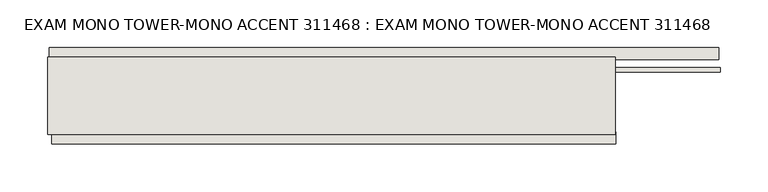
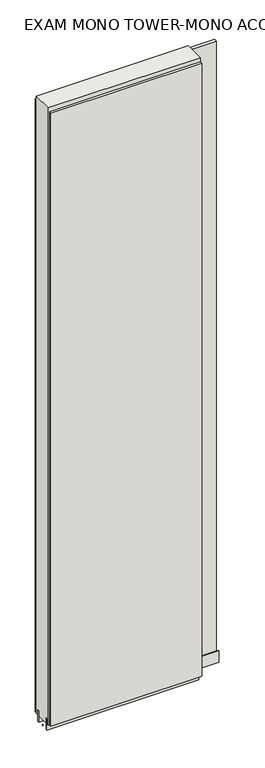
"""IFC4 building model written with IfcOpenShell, lengths in millimetres: wall geometry, EXAM MONO TOWER-MONO ACCENT 311468 : EXAM MONO TOWER-MONO ACCENT 311468."""

from ifc_helpers import new_model, si_unit, frame, origin, place, context, project, spatial, polyline, outline, extrude, source, transform, mapped, element, save


def exam_mono_tower_mono_accent_311468_exam_mono_tower_mono_dfa027e3(model_context):
    return source(origin(), model_context, "Body", "SweptSolid", [
        extrude(outline(polyline([(69813.1576048, -53335.9245954), (69810.6176048, -53335.9245954), (69810.6176048, -53333.3845954), (69813.1576048, -53333.3845954), (69813.1576048, -53335.9245954)])), frame((0.0, 0.0, 4419.6), z_axis=(0.0, 0.0, 1.0), x_axis=(1.0, 0.0, 0.0)), (0.0, 0.0, 1.0), 2.54),
        extrude(outline(polyline([(69812.6184136, -53283.8545954), (70516.1184036, -53283.8545954), (70516.1184036, -53296.5545954), (69812.6184136, -53296.5545954), (69812.6184136, -53283.8545954)])), frame((0.0, 0.0, 4445.0), z_axis=(0.0, 0.0, 1.0), x_axis=(1.0, 0.0, 0.0)), (0.0, 0.0, 1.0), 2545.0498756),
        extrude(outline(polyline([(70407.9782084, -53385.4545954), (69815.0782512, -53385.4545954), (69815.0782512, -53372.7545954), (70407.9782084, -53372.7545954), (70407.9782084, -53385.4545954)])), frame((0.0, 0.0, 4445.0), z_axis=(0.0, 0.0, 1.0), x_axis=(1.0, 0.0, 0.0)), (0.0, 0.0, 1.0), 2545.0498756),
        extrude(outline(polyline([(70518.120457, -53309.5708508), (69810.603965, -53309.5708508), (69810.603965, -53304.4920954), (70518.120457, -53304.4920954), (70518.120457, -53309.5708508)])), frame((0.0, 0.0, 4418.6602), z_axis=(0.0, 0.0, 1.0), x_axis=(1.0, 0.0, 0.0)), (0.0, 0.0, 1.0), 47.625),
        extrude(outline(polyline([(70518.120457, -53309.5708508), (69810.603965, -53309.5708508), (69810.603965, -53304.4920954), (70518.120457, -53304.4920954), (70518.120457, -53309.5708508)])), frame((0.0, 0.0, 4418.6602), z_axis=(0.0, 0.0, 1.0), x_axis=(1.0, 0.0, 0.0)), (0.0, 0.0, 1.0), 47.625),
        extrude(outline(polyline([(69810.603965, -53359.73834), (70407.503965, -53359.73834), (70407.503965, -53364.8170954), (69810.603965, -53364.8170954), (69810.603965, -53359.73834)])), frame((0.0, 0.0, 4418.6602), z_axis=(0.0, 0.0, 1.0), x_axis=(1.0, 0.0, 0.0)), (0.0, 0.0, 1.0), 47.625),
        extrude(outline(polyline([(69810.603965, -53359.73834), (70407.503965, -53359.73834), (70407.503965, -53364.8170954), (69810.603965, -53364.8170954), (69810.603965, -53359.73834)])), frame((0.0, 0.0, 4418.6602), z_axis=(0.0, 0.0, 1.0), x_axis=(1.0, 0.0, 0.0)), (0.0, 0.0, 1.0), 47.625),
        extrude(outline(polyline([(70407.503965, -53293.999711), (70407.503965, -53375.3032822), (69810.603965, -53375.3032822), (69810.603965, -53293.999711), (70407.503965, -53293.999711)])), frame((0.0, 0.0, 4445.0), z_axis=(0.0, 0.0, 1.0), x_axis=(1.0, 0.0, 0.0)), (0.0, 0.0, 1.0), 2562.4536762),
    ])


if __name__ == "__main__":
    model = new_model("IFC4")
    model_context = context("Model", 3, world=origin())
    ifc_project = project(units=[si_unit("LENGTHUNIT", "METRE", prefix="MILLI")], contexts=[model_context])
    site = spatial("IfcSite", under=ifc_project)
    building = spatial("IfcBuilding", under=site)
    placement = place(None, origin())
    exam_mono_tower_mono_accent_311468_exam_mono_tower_mono_shape = exam_mono_tower_mono_accent_311468_exam_mono_tower_mono_dfa027e3(model_context)
    element("IfcWall", 1, ObjectType="EXAM MONO TOWER-MONO ACCENT 311468 : EXAM MONO TOWER-MONO ACCENT 311468", at=placement, inside=building, context=model_context, shape_type="MappedRepresentation", body=[
        mapped(exam_mono_tower_mono_accent_311468_exam_mono_tower_mono_shape, transform((0.0, 0.0, 0.0), x_axis=(1.0, 0.0, 0.0), y_axis=(0.0, 1.0, 0.0), z_axis=(0.0, 0.0, 1.0))),
    ])
    save(model, "model.ifc")
